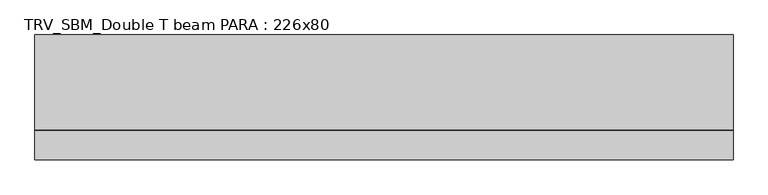
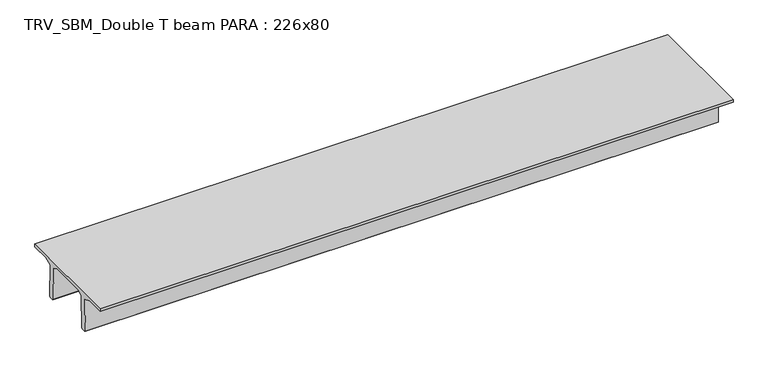
"""IFC4 building model written with IfcOpenShell, lengths in millimetres: beam geometry, TRV_SBM_Double T beam PARA : 226x80."""

from ifc_helpers import new_model, si_unit, frame, origin, place, context, project, spatial, polyline, outline, extrude, source, transform, mapped, element, save


def trv_sbm_double_t_beam_para_226x80_538be3b1(model_context):
    return source(origin(), model_context, "Body", "SweptSolid", [
        extrude(outline(polyline([(352.1399239, 205.988519), (-382.1399239, 205.988519), (-485.0, 144.18395), (-501.9262559, -520.5206011), (-521.4056548, -540.0), (-611.4056548, -540.0), (-631.9887932, -520.5206011), (-615.2025683, 140.6523122), (-776.9153545, 205.988519), (-1145.0, 205.988519), (-1145.0, 260.0), (1115.0, 260.0), (1115.0, 205.988519), (746.9153545, 205.988519), (585.2025683, 140.6523122), (601.9887932, -520.5206011), (581.4056548, -540.0), (491.4056548, -540.0), (471.9262559, -520.5206011), (455.0, 144.18395), (352.1399239, 205.988519)])), frame((-6339.0, 0.0, 0.0), z_axis=(1.0, 0.0, 0.0), x_axis=(0.0, 1.0, 0.0)), (0.0, 0.0, 1.0), 12643.9062685),
    ])


if __name__ == "__main__":
    model = new_model("IFC4")
    model_context = context("Model", 3, world=origin())
    ifc_project = project(units=[si_unit("LENGTHUNIT", "METRE", prefix="MILLI")], contexts=[model_context])
    site = spatial("IfcSite", under=ifc_project)
    building = spatial("IfcBuilding", under=site)
    placement = place(None, origin())
    trv_sbm_double_t_beam_para_226x80_shape = trv_sbm_double_t_beam_para_226x80_538be3b1(model_context)
    element("IfcBeam", 1, ObjectType="TRV_SBM_Double T beam PARA : 226x80", at=placement, inside=building, context=model_context, shape_type="MappedRepresentation", body=[
        mapped(trv_sbm_double_t_beam_para_226x80_shape, transform((0.0, 0.0, 0.0), x_axis=(1.0, 0.0, 0.0), y_axis=(0.0, 1.0, 0.0), z_axis=(0.0, 0.0, 1.0))),
    ])
    save(model, "model.ifc")
